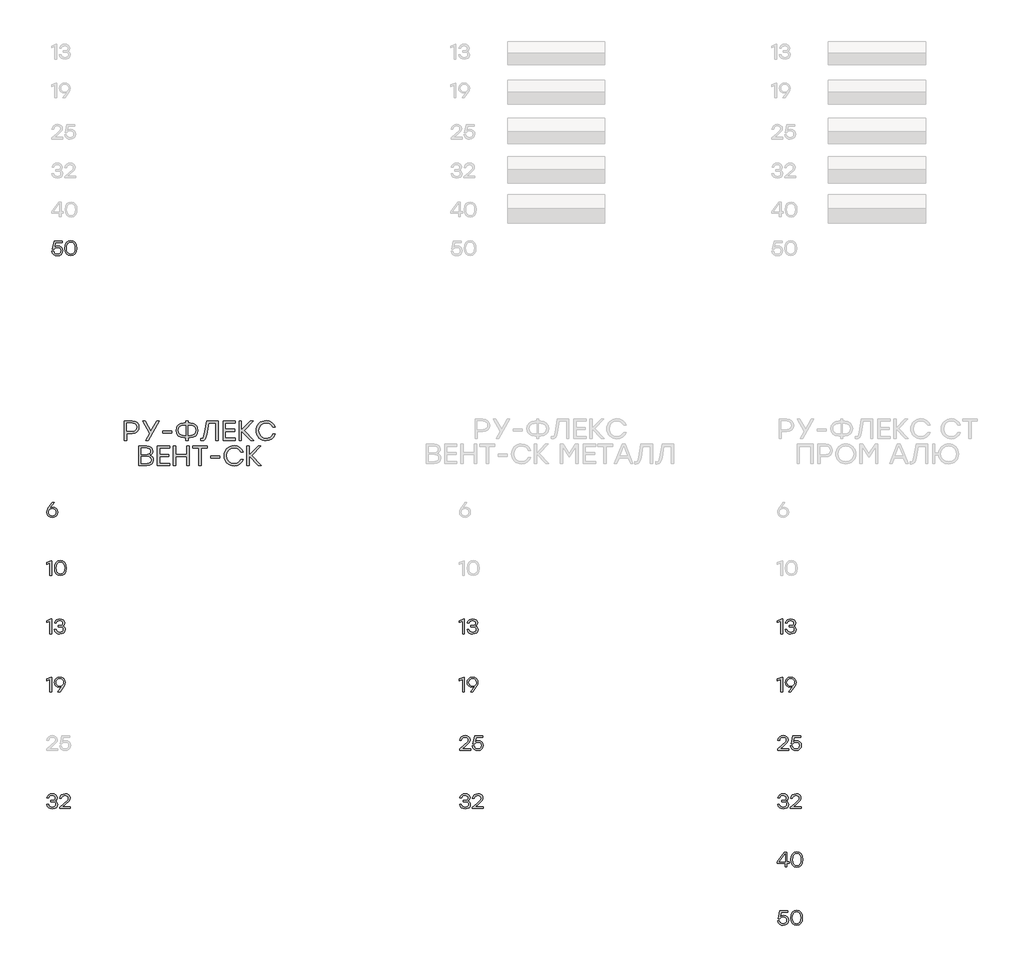
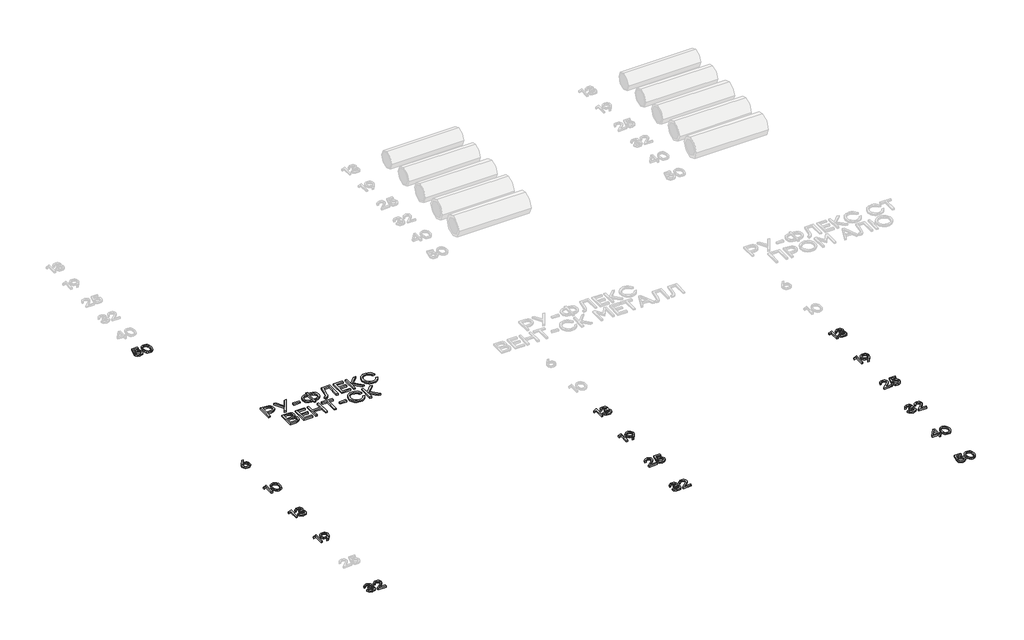
# One storey, part 29 of 41: 17 proxies.
"""IFC4 building model written with IfcOpenShell, lengths in millimetres."""

from ifc_helpers import new_model, si_unit, origin, origin_with_axes, place, context, project, spatial, polyline, outline, extrude, element, save

model = new_model("IFC4")

# Units and contexts
model_context = context("Model", 3, world=origin())
ifc_project = project(units=[si_unit("LENGTHUNIT", "METRE", prefix="MILLI")], contexts=[model_context])

# Site, building, storey
site = spatial("IfcSite", under=ifc_project)
building = spatial("IfcBuilding", under=site)
storey = spatial("IfcBuildingStorey", under=building, Elevation=0.0)

# Proxies
placement = place(None, origin())
element("IfcBuildingElementProxy", 1, Name="Generic Models", at=placement, inside=storey, context=model_context, shape_type="SweptSolid", body=[
    extrude(outline(polyline([(21438.3412337, -18963.3883723), (21458.0077733, -18966.7367268), (21474.5680082, -18976.7817901), (21485.8233201, -18992.6158758), (21489.5750908, -19013.3312975), (21485.5560569, -19034.848509), (21473.4989553, -19051.8777152), (21455.4410378, -19062.9666179), (21433.4195561, -19066.6629188), (21411.5796117, -19062.9968741), (21393.5822066, -19051.99874), (21381.5251051, -19034.8384235), (21377.5060712, -19012.6858316), (21380.1282765, -18994.8397076), (21387.9948923, -18976.8826441), (21429.7888103, -18917.3182426), (21432.1286243, -18914.3329627), (21452.9449001, -18914.3329627), (21410.2634664, -18971.3356714), (21424.2620084, -18965.3751971), (21438.3412337, -18963.3883723)]), holes=[polyline([(21433.4195561, -19049.7597801), (21448.5274927, -19047.2384289), (21460.8518575, -19039.6743752), (21469.0512917, -19028.0459033), (21471.7844365, -19013.3312975), (21469.0512917, -18998.5158377), (21460.8518575, -18987.0689031), (21448.5779197, -18979.7468991), (21433.6212642, -18977.3062311), (21418.2914487, -18979.7721126), (21406.1082796, -18987.1697571), (21398.1508951, -18998.6923323), (21395.4984336, -19013.5330056), (21398.2013221, -19028.373679), (21406.3099877, -19039.8962541), (21418.4931568, -19047.2938986), (21433.4195561, -19049.7597801)])]), origin_with_axes(), (0.0, 0.0, 1.0), 20.0),
])
element("IfcBuildingElementProxy", 2, Name="Generic Models", at=placement, inside=storey, context=model_context, shape_type="SweptSolid", body=[
    extrude(outline(polyline([(21419.5016973, -19514.3329627), (21427.6507045, -19514.3329627), (21427.6507045, -19664.3231049), (21409.8600502, -19664.3231049), (21409.8600502, -19535.1088969), (21375.3679653, -19549.0267557), (21375.3679653, -19531.4781511), (21419.5016973, -19514.3329627)])), origin_with_axes(), (0.0, 0.0, 1.0), 20.0),
    extrude(outline(polyline([(21518.3790073, -19511.9528072), (21543.8849963, -19517.0156804), (21562.9564971, -19532.2043003), (21574.8471895, -19556.6059375), (21578.8107536, -19589.307863), (21574.8471895, -19622.0097885), (21562.9564971, -19646.4114257), (21543.8849963, -19661.6000455), (21518.3790073, -19666.6629188), (21493.0242993, -19661.6303017), (21473.9225423, -19646.5324506), (21461.9410813, -19622.1661123), (21457.9472609, -19589.3280338), (21461.9410813, -19556.4849126), (21473.9225423, -19532.1034462), (21493.0242993, -19516.9904669), (21518.3790073, -19511.9528072)]), holes=[polyline([(21487.1949352, -19635.0754306), (21500.6186092, -19646.0886927), (21518.3790073, -19649.7597801), (21536.1394053, -19646.0886927), (21549.5630793, -19635.0754306), (21558.0045632, -19616.2964066), (21560.8183912, -19589.3280338), (21558.0045632, -19562.359661), (21549.5630793, -19543.580637), (21536.1394053, -19532.5673748), (21518.3790073, -19528.8962875), (21500.6186092, -19532.5673748), (21487.1949352, -19543.580637), (21478.7534513, -19562.359661), (21475.9396233, -19589.3280338), (21478.7534513, -19616.2964066), (21487.1949352, -19635.0754306)])]), origin_with_axes(), (0.0, 0.0, 1.0), 20.0),
])
element("IfcBuildingElementProxy", 3, Name="Generic Models", at=placement, inside=storey, context=model_context, shape_type="SweptSolid", body=[
    extrude(outline(polyline([(21419.5016973, -20114.3329627), (21427.6507045, -20114.3329627), (21427.6507045, -20264.3231049), (21409.8600502, -20264.3231049), (21409.8600502, -20135.1088969), (21375.3679653, -20149.0267557), (21375.3679653, -20131.4781511), (21419.5016973, -20114.3329627)])), origin_with_axes(), (0.0, 0.0, 1.0), 20.0),
    extrude(outline(polyline([(21540.687923, -20185.2535302), (21551.8978505, -20190.7198197), (21560.2737793, -20198.9696809), (21565.4929764, -20209.6299539), (21567.2327087, -20222.3274787), (21563.5364078, -20240.577019), (21552.4475051, -20254.6612869), (21535.3577865, -20263.6625108), (21513.6590378, -20266.6629188), (21492.2729366, -20263.7734503), (21474.3461293, -20255.1050448), (21461.4015121, -20240.9199227), (21454.9619811, -20221.4803047), (21472.9543435, -20221.4803047), (21477.8155086, -20233.8525752), (21486.1863947, -20242.6899113), (21498.0670017, -20247.9923129), (21513.4573297, -20249.7597801), (21528.3686008, -20247.8284251), (21539.6995533, -20242.03436), (21546.8551481, -20232.9221966), (21549.2403463, -20221.0365469), (21547.2333508, -20210.255249), (21541.212364, -20201.8742775), (21530.8445678, -20196.4886713), (21515.7971436, -20194.6934692), (21495.0212094, -20194.6934692), (21495.0212094, -20179.0409208), (21510.6737579, -20179.0409208), (21525.3934064, -20177.5936652), (21535.907441, -20173.2518983), (21542.2158618, -20166.0156203), (21544.3186687, -20155.884831), (21542.0393672, -20144.7455013), (21535.2014627, -20136.1779498), (21524.6117875, -20130.716703), (21511.0771741, -20128.8962875), (21498.2384536, -20130.4242263), (21487.961426, -20135.0080428), (21480.2965182, -20143.1217511), (21475.2941574, -20155.2393651), (21457.301795, -20155.2393651), (21463.9732904, -20136.0367541), (21475.8387693, -20122.5626532), (21491.9905453, -20114.6052687), (21511.5209319, -20111.9528072), (21531.535418, -20114.8725319), (21547.8485605, -20123.6317061), (21558.6954135, -20136.9999103), (21562.3110311, -20153.7467252), (21556.7438876, -20173.0300194), (21549.9463247, -20180.2612548), (21540.687923, -20185.2535302)])), origin_with_axes(), (0.0, 0.0, 1.0), 20.0),
])
element("IfcBuildingElementProxy", 4, Name="Generic Models", at=placement, inside=storey, context=model_context, shape_type="SweptSolid", body=[
    extrude(outline(polyline([(21419.5016973, -20714.3329627), (21427.6507045, -20714.3329627), (21427.6507045, -20864.3231049), (21409.8600502, -20864.3231049), (21409.8600502, -20735.1088969), (21375.3679653, -20749.0267557), (21375.3679653, -20731.4781511), (21419.5016973, -20714.3329627)])), origin_with_axes(), (0.0, 0.0, 1.0), 20.0),
    extrude(outline(polyline([(21511.0771741, -20711.9528072), (21532.9473747, -20715.5986811), (21550.9548652, -20726.5363027), (21563.0119668, -20743.6865338), (21567.0310006, -20765.970236), (21564.4037527, -20783.8113173), (21556.5220087, -20801.7532527), (21514.7482615, -20861.337825), (21512.3681059, -20864.3231049), (21491.5921718, -20864.3231049), (21534.2332638, -20807.3203962), (21520.2548926, -20813.2808705), (21506.1554965, -20815.2676953), (21486.4939996, -20811.9193408), (21469.9488928, -20801.8742775), (21458.708709, -20786.0401918), (21454.9619811, -20765.3247701), (21458.9810149, -20743.7773024), (21471.0381165, -20726.7380108), (21489.0859486, -20715.6491081), (21511.0771741, -20711.9528072)]), holes=[polyline([(21510.875466, -20801.3094949), (21526.2607512, -20798.8486561), (21538.5296463, -20791.4661396), (21546.5626713, -20779.9586926), (21549.2403463, -20765.123062), (21546.5072016, -20750.2823886), (21538.3077674, -20738.7598135), (21526.0388723, -20731.362169), (21511.0973449, -20728.8962875), (21496.1558175, -20731.412596), (21483.8869224, -20738.9615216), (21475.6874882, -20750.5849508), (21472.9543435, -20765.3247701), (21475.657232, -20780.1351872), (21483.7658975, -20791.5669937), (21495.9490667, -20798.8738696), (21510.875466, -20801.3094949)])]), origin_with_axes(), (0.0, 0.0, 1.0), 20.0),
])
element("IfcBuildingElementProxy", 5, Name="Generic Models", at=placement, inside=storey, context=model_context, shape_type="SweptSolid", body=[
    extrude(outline(polyline([(21463.2320131, -21985.2535302), (21474.4419407, -21990.7198197), (21482.8178695, -21998.9696809), (21488.0370665, -22009.6299539), (21489.7767989, -22022.3274787), (21486.080498, -22040.577019), (21474.9915952, -22054.6612869), (21457.9018766, -22063.6625108), (21436.2031279, -22066.6629188), (21414.8170267, -22063.7734503), (21396.8902195, -22055.1050448), (21383.9456022, -22040.9199227), (21377.5060712, -22021.4803047), (21395.4984336, -22021.4803047), (21400.3595988, -22033.8525752), (21408.7304849, -22042.6899113), (21420.6110919, -22047.9923129), (21436.0014198, -22049.7597801), (21450.912691, -22047.8284251), (21462.2436434, -22042.03436), (21469.3992382, -22032.9221966), (21471.7844365, -22021.0365469), (21469.7774409, -22010.255249), (21463.7564542, -22001.8742775), (21453.3886579, -21996.4886713), (21438.3412337, -21994.6934692), (21417.5652996, -21994.6934692), (21417.5652996, -21979.0409208), (21433.217848, -21979.0409208), (21447.9374965, -21977.5936652), (21458.4515312, -21973.2518983), (21464.7599519, -21966.0156203), (21466.8627589, -21955.884831), (21464.5834574, -21944.7455013), (21457.7455528, -21936.1779498), (21447.1558776, -21930.716703), (21433.6212642, -21928.8962875), (21420.7825437, -21930.4242263), (21410.5055161, -21935.0080428), (21402.8406084, -21943.1217511), (21397.8382475, -21955.2393651), (21379.8458851, -21955.2393651), (21386.5173805, -21936.0367541), (21398.3828594, -21922.5626532), (21414.5346354, -21914.6052687), (21434.065022, -21911.9528072), (21454.0795081, -21914.8725319), (21470.3926506, -21923.6317061), (21481.2395036, -21936.9999103), (21484.8551213, -21953.7467252), (21479.2879777, -21973.0300194), (21472.4904148, -21980.2612548), (21463.2320131, -21985.2535302)])), origin_with_axes(), (0.0, 0.0, 1.0), 20.0),
    extrude(outline(polyline([(21621.6938954, -22047.1779165), (21621.6938954, -22064.3231049), (21509.181118, -22064.3231049), (21509.181118, -22051.4541282), (21552.669384, -22013.5330056), (21591.3569973, -21977.5482808), (21597.7108024, -21967.5839008), (21599.8287375, -21956.9740548), (21597.5242225, -21945.6985721), (21590.6106774, -21936.7225617), (21579.8394649, -21930.852856), (21565.9619477, -21928.8962875), (21552.0289608, -21930.9587528), (21541.0913392, -21937.1461487), (21533.2146379, -21947.0853152), (21528.4644122, -21960.4030925), (21510.4720498, -21960.4030925), (21516.6695311, -21940.4037345), (21528.8879992, -21925.023492), (21545.9878033, -21915.2204784), (21566.8292925, -21911.9528072), (21587.3732624, -21915.1145816), (21603.5805081, -21924.599905), (21614.1096709, -21938.8556248), (21617.6193918, -21956.3285889), (21615.072827, -21970.9675541), (21607.4331328, -21984.0634524), (21567.2327087, -22022.3274787), (21538.5094755, -22047.1779165), (21621.6938954, -22047.1779165)])), origin_with_axes(), (0.0, 0.0, 1.0), 20.0),
])
element("IfcBuildingElementProxy", 6, Name="Generic Models", at=placement, inside=storey, context=model_context, shape_type="SweptSolid", body=[
    extrude(outline(polyline([(22257.0829166, -18073.4104772), (22286.1019884, -18077.8749498), (22307.9671463, -18091.2683676), (22321.683297, -18111.7215688), (22326.2553472, -18137.3653917), (22321.6429554, -18163.3991836), (22307.8057798, -18184.2692482), (22285.9002803, -18197.9853989), (22257.0829166, -18202.5574492), (22200.4970713, -18202.5574492), (22200.4970713, -18273.3973334), (22176.7761989, -18273.3973334), (22176.7761989, -18073.4104772), (22257.0829166, -18073.4104772)]), holes=[polyline([(22256.2222954, -18179.9661421), (22276.0905431, -18176.9674151), (22290.5126722, -18167.9712339), (22299.2869744, -18154.4030024), (22302.2117419, -18137.6881247), (22299.2869744, -18121.0404829), (22290.5126722, -18107.6739596), (22276.0905431, -18098.8794865), (22256.2222954, -18095.9479955), (22200.4970713, -18095.9479955), (22200.4970713, -18179.9661421), (22256.2222954, -18179.9661421)])]), origin_with_axes(), (0.0, 0.0, 1.0), 20.0),
    extrude(outline(polyline([(22535.2787262, -18073.4104772), (22422.1608245, -18273.3973334), (22395.3202002, -18273.3973334), (22436.7375964, -18200.8362067), (22363.8537368, -18073.4104772), (22390.74815, -18073.4104772), (22449.8620701, -18175.3940919), (22508.707046, -18073.4104772), (22535.2787262, -18073.4104772)])), origin_with_axes(), (0.0, 0.0, 1.0), 20.0),
    extrude(outline(polyline([(22661.8438345, -18175.985769), (22661.8438345, -18198.5232872), (22569.2194756, -18198.5232872), (22569.2194756, -18175.985769), (22661.8438345, -18175.985769)])), origin_with_axes(), (0.0, 0.0, 1.0), 20.0),
    extrude(outline(polyline([(22852.4176461, -18095.9479955), (22884.0656467, -18101.057934), (22909.8372181, -18116.3877495), (22919.8268117, -18127.4900994), (22926.9622357, -18140.3573952), (22932.6705749, -18171.3868243), (22926.9958537, -18202.4162535), (22919.9024523, -18215.2835493), (22909.9716902, -18226.3858992), (22884.2337368, -18241.7157147), (22852.4176461, -18246.8256532), (22832.6771468, -18246.8256532), (22832.6771468, -18273.3973334), (22808.9562744, -18273.3973334), (22808.9562744, -18246.8256532), (22789.0006199, -18246.8256532), (22757.1441875, -18241.7157147), (22731.3927869, -18226.3858992), (22721.4620248, -18215.2835493), (22714.3686234, -18202.4162535), (22708.6939022, -18171.3868243), (22714.408965, -18140.3573952), (22721.5527935, -18127.4900994), (22731.5541534, -18116.3877495), (22757.3458956, -18101.057934), (22789.0006199, -18095.9479955), (22808.9562744, -18095.9479955), (22808.9562744, -18073.4104772), (22832.6771468, -18073.4104772), (22832.6771468, -18095.9479955), (22852.4176461, -18095.9479955)]), holes=[polyline([(22852.4176461, -18224.2343462), (22875.0224003, -18220.7716905), (22893.1357876, -18210.3837234), (22905.0365654, -18193.7091873), (22909.0034913, -18171.3868243), (22905.0365654, -18149.0644614), (22893.1357876, -18132.3899253), (22875.0224003, -18122.0019582), (22852.4176461, -18118.5393025), (22832.6771468, -18118.5393025), (22832.6771468, -18224.2343462), (22852.4176461, -18224.2343462)]), polyline([(22789.0006199, -18224.2343462), (22808.9562744, -18224.2343462), (22808.9562744, -18118.5393025), (22789.0006199, -18118.5393025), (22766.5975737, -18122.0019582), (22748.5514225, -18132.3899253), (22736.6506447, -18149.0644614), (22732.6837187, -18171.3868243), (22736.610303, -18193.7091873), (22748.390056, -18210.3837234), (22766.3958656, -18220.7716905), (22789.0006199, -18224.2343462)])]), origin_with_axes(), (0.0, 0.0, 1.0), 20.0),
    extrude(outline(polyline([(23022.3365483, -18073.4104772), (23142.6083639, -18073.4104772), (23142.6083639, -18273.3973334), (23118.8874915, -18273.3973334), (23118.8874915, -18095.9479955), (23042.2922029, -18095.9479955), (23023.1971696, -18212.2394379), (23016.0970445, -18242.2603266), (23006.3074781, -18261.9672078), (22993.1023212, -18272.879616), (22975.7554248, -18276.5170853), (22960.0490875, -18275.6564641), (22960.0490875, -18253.9795671), (22971.1833745, -18254.5174554), (22981.8806274, -18252.2314303), (22989.4446811, -18245.3733549), (22999.7452413, -18210.8409284), (23022.3365483, -18073.4104772)])), origin_with_axes(), (0.0, 0.0, 1.0), 20.0),
    extrude(outline(polyline([(23319.1970807, -18095.9479955), (23216.0301118, -18095.9479955), (23216.0301118, -18159.4188105), (23312.3121109, -18159.4188105), (23312.3121109, -18181.9563287), (23216.0301118, -18181.9563287), (23216.0301118, -18250.8060264), (23319.1970807, -18250.8060264), (23319.1970807, -18273.3973334), (23192.3092394, -18273.3973334), (23192.3092394, -18073.4104772), (23319.1970807, -18073.4104772), (23319.1970807, -18095.9479955)])), origin_with_axes(), (0.0, 0.0, 1.0), 20.0),
    extrude(outline(polyline([(23505.8443079, -18273.3973334), (23475.2922546, -18273.3973334), (23381.2693862, -18176.2547131), (23381.2693862, -18273.3973334), (23357.5485138, -18273.3973334), (23357.5485138, -18073.4104772), (23381.2693862, -18073.4104772), (23381.2693862, -18167.1106127), (23472.1725027, -18073.4104772), (23502.4556119, -18073.4104772), (23407.8410664, -18171.4137188), (23505.8443079, -18273.3973334)])), origin_with_axes(), (0.0, 0.0, 1.0), 20.0),
    extrude(outline(polyline([(23634.8837022, -18276.5170853), (23613.6858619, -18274.6781798), (23594.3605452, -18269.1614633), (23576.907752, -18259.9669358), (23561.3274823, -18247.0945974), (23548.5139753, -18231.4538152), (23539.3614703, -18213.9539568), (23533.8699673, -18194.595022), (23532.0394663, -18173.3770109), (23533.8699673, -18152.1589998), (23539.3614703, -18132.8000651), (23548.5139753, -18115.3002066), (23561.3274823, -18099.6594245), (23576.907752, -18086.787086), (23594.3605452, -18077.5925585), (23613.6858619, -18072.075842), (23634.8837022, -18070.2369365), (23666.3636128, -18074.7753687), (23693.8900447, -18088.3906654), (23715.6341777, -18109.6439754), (23729.7671918, -18137.0964476), (23704.325077, -18137.0964476), (23692.8613334, -18118.8889299), (23676.7583035, -18104.8231518), (23657.0110806, -18095.8269706), (23634.6147581, -18092.8282435), (23603.7130774, -18098.5769243), (23578.4592234, -18115.8229668), (23561.636768, -18141.715563), (23556.0292829, -18173.4039053), (23561.636768, -18205.0922476), (23578.4592234, -18230.9848439), (23603.7130774, -18248.2308863), (23634.6147581, -18253.9795671), (23657.0110806, -18250.9808401), (23676.7583035, -18241.9846589), (23692.8613334, -18227.9054336), (23704.325077, -18209.6575743), (23729.7671918, -18209.6575743), (23715.6341777, -18237.1436645), (23693.8900447, -18258.3902509), (23666.3636128, -18271.9853767), (23634.8837022, -18276.5170853)])), origin_with_axes(), (0.0, 0.0, 1.0), 20.0),
    extrude(outline(polyline([(22439.6959819, -18425.6328557), (22454.8274511, -18432.4606748), (22465.6356434, -18443.2083547), (22472.1205587, -18457.8758952), (22474.2821972, -18476.4632965), (22470.100116, -18499.6664515), (22457.5538722, -18517.2083324), (22437.0065406, -18528.2417654), (22408.8211956, -18531.9195764), (22324.8030489, -18531.9195764), (22324.8030489, -18331.9327203), (22407.4226861, -18331.9327203), (22433.7186986, -18335.2541803), (22452.6859834, -18345.2185603), (22464.1631743, -18361.2476306), (22467.9889045, -18382.7631611), (22466.2205969, -18397.1214159), (22460.9156739, -18409.05245), (22452.0741355, -18418.5562632), (22439.6959819, -18425.6328557)]), holes=[polyline([(22408.5522515, -18509.3282694), (22426.931221, -18507.1699927), (22440.0590565, -18500.6951628), (22447.9357577, -18489.9037795), (22450.5613248, -18474.7958429), (22448.0601444, -18459.472751), (22440.5566031, -18448.3586348), (22427.4052351, -18441.6014135), (22407.9605744, -18439.3490064), (22348.5239213, -18439.3490064), (22348.5239213, -18509.3282694), (22408.5522515, -18509.3282694)]), polyline([(22443.999088, -18386.205646), (22441.7130629, -18372.4222592), (22434.8549875, -18362.4847736), (22422.71216, -18356.4738723), (22404.5718783, -18354.4702385), (22348.5239213, -18354.4702385), (22348.5239213, -18417.6183205), (22403.9802012, -18417.6183205), (22422.5642407, -18415.6214104), (22434.8549875, -18409.6306798), (22441.7130629, -18399.780601), (22443.999088, -18386.205646)])]), origin_with_axes(), (0.0, 0.0, 1.0), 20.0),
    extrude(outline(polyline([(22641.0275587, -18354.4702385), (22537.8605899, -18354.4702385), (22537.8605899, -18417.9410535), (22634.142589, -18417.9410535), (22634.142589, -18440.4785717), (22537.8605899, -18440.4785717), (22537.8605899, -18509.3282694), (22641.0275587, -18509.3282694), (22641.0275587, -18531.9195764), (22514.1397175, -18531.9195764), (22514.1397175, -18331.9327203), (22641.0275587, -18331.9327203), (22641.0275587, -18354.4702385)])), origin_with_axes(), (0.0, 0.0, 1.0), 20.0),
    extrude(outline(polyline([(22819.1223626, -18331.9327203), (22842.843235, -18331.9327203), (22842.843235, -18531.9195764), (22819.1223626, -18531.9195764), (22819.1223626, -18439.9406835), (22703.0998643, -18439.9406835), (22703.0998643, -18531.9195764), (22679.3789919, -18531.9195764), (22679.3789919, -18331.9327203), (22703.0998643, -18331.9327203), (22703.0998643, -18417.3493764), (22819.1223626, -18417.3493764), (22819.1223626, -18331.9327203)])), origin_with_axes(), (0.0, 0.0, 1.0), 20.0),
    extrude(outline(polyline([(23030.2972946, -18331.9327203), (23030.2972946, -18354.4702385), (22965.6969142, -18354.4702385), (22965.6969142, -18531.9195764), (22941.7070977, -18531.9195764), (22941.7070977, -18354.4702385), (22877.4294503, -18354.4702385), (22877.4294503, -18331.9327203), (23030.2972946, -18331.9327203)])), origin_with_axes(), (0.0, 0.0, 1.0), 20.0),
    extrude(outline(polyline([(23157.5616577, -18434.508012), (23157.5616577, -18457.0455302), (23064.9372988, -18457.0455302), (23064.9372988, -18434.508012), (23157.5616577, -18434.508012)])), origin_with_axes(), (0.0, 0.0, 1.0), 20.0),
    extrude(outline(polyline([(23304.4051534, -18535.0393284), (23283.2073132, -18533.2004229), (23263.8819964, -18527.6837064), (23246.4292032, -18518.4891789), (23230.8489335, -18505.6168404), (23218.0354265, -18489.9760582), (23208.8829215, -18472.4761998), (23203.3914186, -18453.117265), (23201.5609176, -18431.8992539), (23203.3914186, -18410.6812429), (23208.8829215, -18391.3223081), (23218.0354265, -18373.8224496), (23230.8489335, -18358.1816675), (23246.4292032, -18345.309329), (23263.8819964, -18336.1148015), (23283.2073132, -18330.598085), (23304.4051534, -18328.7591795), (23335.885064, -18333.2976117), (23363.4114959, -18346.9129084), (23385.1556289, -18368.1662184), (23399.288643, -18395.6186906), (23373.8465282, -18395.6186906), (23362.3827846, -18377.4111729), (23346.2797547, -18363.3453948), (23326.5325319, -18354.3492136), (23304.1362093, -18351.3504865), (23273.2345286, -18357.0991674), (23247.9806747, -18374.3452098), (23231.1582192, -18400.237806), (23225.5507341, -18431.9261483), (23231.1582192, -18463.6144906), (23247.9806747, -18489.5070869), (23273.2345286, -18506.7531293), (23304.1362093, -18512.5018101), (23326.5325319, -18509.5030831), (23346.2797547, -18500.5069019), (23362.3827846, -18486.4276766), (23373.8465282, -18468.1798173), (23399.288643, -18468.1798173), (23385.1556289, -18495.6659075), (23363.4114959, -18516.9124939), (23335.885064, -18530.5076197), (23304.4051534, -18535.0393284)])), origin_with_axes(), (0.0, 0.0, 1.0), 20.0),
    extrude(outline(polyline([(23585.0214602, -18531.9195764), (23554.4694069, -18531.9195764), (23460.4465385, -18434.7769561), (23460.4465385, -18531.9195764), (23436.7256661, -18531.9195764), (23436.7256661, -18331.9327203), (23460.4465385, -18331.9327203), (23460.4465385, -18425.6328557), (23551.349655, -18331.9327203), (23581.6327642, -18331.9327203), (23487.0182187, -18429.9359618), (23585.0214602, -18531.9195764)])), origin_with_axes(), (0.0, 0.0, 1.0), 20.0),
])
element("IfcBuildingElementProxy", 7, Name="Generic Models", at=placement, inside=storey, context=model_context, shape_type="SweptSolid", body=[
    extrude(outline(polyline([(25667.2941727, -20114.3329627), (25675.4431799, -20114.3329627), (25675.4431799, -20264.3231049), (25657.6525256, -20264.3231049), (25657.6525256, -20135.1088969), (25623.1604407, -20149.0267557), (25623.1604407, -20131.4781511), (25667.2941727, -20114.3329627)])), origin_with_axes(), (0.0, 0.0, 1.0), 20.0),
    extrude(outline(polyline([(25788.4803983, -20185.2535302), (25799.6903259, -20190.7198197), (25808.0662547, -20198.9696809), (25813.2854518, -20209.6299539), (25815.0251841, -20222.3274787), (25811.3288832, -20240.577019), (25800.2399805, -20254.6612869), (25783.1502618, -20263.6625108), (25761.4515131, -20266.6629188), (25740.065412, -20263.7734503), (25722.1386047, -20255.1050448), (25709.1939875, -20240.9199227), (25702.7544564, -20221.4803047), (25720.7468188, -20221.4803047), (25725.607984, -20233.8525752), (25733.9788701, -20242.6899113), (25745.8594771, -20247.9923129), (25761.249805, -20249.7597801), (25776.1610762, -20247.8284251), (25787.4920286, -20242.03436), (25794.6476234, -20232.9221966), (25797.0328217, -20221.0365469), (25795.0258261, -20210.255249), (25789.0048394, -20201.8742775), (25778.6370431, -20196.4886713), (25763.589619, -20194.6934692), (25742.8136848, -20194.6934692), (25742.8136848, -20179.0409208), (25758.4662333, -20179.0409208), (25773.1858818, -20177.5936652), (25783.6999164, -20173.2518983), (25790.0083372, -20166.0156203), (25792.1111441, -20155.884831), (25789.8318426, -20144.7455013), (25782.993938, -20136.1779498), (25772.4042629, -20130.716703), (25758.8696495, -20128.8962875), (25746.030929, -20130.4242263), (25735.7539013, -20135.0080428), (25728.0889936, -20143.1217511), (25723.0866328, -20155.2393651), (25705.0942704, -20155.2393651), (25711.7657657, -20136.0367541), (25723.6312446, -20122.5626532), (25739.7830206, -20114.6052687), (25759.3134073, -20111.9528072), (25779.3278934, -20114.8725319), (25795.6410358, -20123.6317061), (25806.4878888, -20136.9999103), (25810.1035065, -20153.7467252), (25804.536363, -20173.0300194), (25797.7388001, -20180.2612548), (25788.4803983, -20185.2535302)])), origin_with_axes(), (0.0, 0.0, 1.0), 20.0),
])
element("IfcBuildingElementProxy", 8, Name="Generic Models", at=placement, inside=storey, context=model_context, shape_type="SweptSolid", body=[
    extrude(outline(polyline([(25667.2941727, -20714.3329627), (25675.4431799, -20714.3329627), (25675.4431799, -20864.3231049), (25657.6525256, -20864.3231049), (25657.6525256, -20735.1088969), (25623.1604407, -20749.0267557), (25623.1604407, -20731.4781511), (25667.2941727, -20714.3329627)])), origin_with_axes(), (0.0, 0.0, 1.0), 20.0),
    extrude(outline(polyline([(25758.8696495, -20711.9528072), (25780.73985, -20715.5986811), (25798.7473405, -20726.5363027), (25810.8044421, -20743.6865338), (25814.823476, -20765.970236), (25812.196228, -20783.8113173), (25804.3144841, -20801.7532527), (25762.5407368, -20861.337825), (25760.1605813, -20864.3231049), (25739.3846471, -20864.3231049), (25782.0257392, -20807.3203962), (25768.0473679, -20813.2808705), (25753.9479718, -20815.2676953), (25734.2864749, -20811.9193408), (25717.7413681, -20801.8742775), (25706.5011843, -20786.0401918), (25702.7544564, -20765.3247701), (25706.7734903, -20743.7773024), (25718.8305919, -20726.7380108), (25736.878424, -20715.6491081), (25758.8696495, -20711.9528072)]), holes=[polyline([(25758.6679414, -20801.3094949), (25774.0532266, -20798.8486561), (25786.3221217, -20791.4661396), (25794.3551467, -20779.9586926), (25797.0328217, -20765.123062), (25794.299677, -20750.2823886), (25786.1002428, -20738.7598135), (25773.8313477, -20731.362169), (25758.8898203, -20728.8962875), (25743.9482929, -20731.412596), (25731.6793978, -20738.9615216), (25723.4799635, -20750.5849508), (25720.7468188, -20765.3247701), (25723.4497073, -20780.1351872), (25731.5583729, -20791.5669937), (25743.7415421, -20798.8738696), (25758.6679414, -20801.3094949)])]), origin_with_axes(), (0.0, 0.0, 1.0), 20.0),
])
element("IfcBuildingElementProxy", 9, Name="Generic Models", at=placement, inside=storey, context=model_context, shape_type="SweptSolid", body=[
    extrude(outline(polyline([(25737.811324, -21447.1779165), (25737.811324, -21464.3231049), (25625.2985465, -21464.3231049), (25625.2985465, -21451.4541282), (25668.7868126, -21413.5330056), (25707.4744259, -21377.5482808), (25713.828231, -21367.5839008), (25715.9461661, -21356.9740548), (25713.641651, -21345.6985721), (25706.728106, -21336.7225617), (25695.9568935, -21330.852856), (25682.0793763, -21328.8962875), (25668.1463894, -21330.9587528), (25657.2087677, -21337.1461487), (25649.3320665, -21347.0853152), (25644.5818408, -21360.4030925), (25626.5894784, -21360.4030925), (25632.7869597, -21340.4037345), (25645.0054278, -21325.023492), (25662.1052318, -21315.2204784), (25682.9467211, -21311.9528072), (25703.490691, -21315.1145816), (25719.6979367, -21324.599905), (25730.2270994, -21338.8556248), (25733.7368204, -21356.3285889), (25731.1902556, -21370.9675541), (25723.5505614, -21384.0634524), (25683.3501373, -21422.3274787), (25654.6269041, -21447.1779165), (25737.811324, -21447.1779165)])), origin_with_axes(), (0.0, 0.0, 1.0), 20.0),
    extrude(outline(polyline([(25818.8979796, -21365.3247701), (25838.7863981, -21368.698338), (25855.2054373, -21378.8190419), (25866.2186995, -21394.5169746), (25869.8897869, -21414.6222294), (25865.9816925, -21435.322523), (25854.2574093, -21451.99874), (25836.6936766, -21462.9968741), (25815.2672338, -21466.6629188), (25794.3097624, -21463.6120838), (25776.4585957, -21454.4595788), (25763.4383379, -21439.7298449), (25756.9735933, -21419.9473232), (25774.9659557, -21419.9473232), (25780.1145549, -21432.6498907), (25789.1056934, -21442.03436), (25801.1022826, -21447.8284251), (25815.2672338, -21449.7597801), (25829.754918, -21447.2384289), (25841.5094575, -21439.6743752), (25849.3004328, -21428.3686363), (25851.8974245, -21414.6222294), (25849.3256463, -21400.679157), (25841.6103115, -21389.7516208), (25829.9314126, -21382.6867946), (25815.4689419, -21380.3318526), (25794.4711289, -21385.2031032), (25779.8876333, -21399.8168549), (25762.7424449, -21399.8168549), (25780.9768571, -21314.3329627), (25862.8300035, -21314.3329627), (25862.8300035, -21331.2361014), (25794.450958, -21331.2361014), (25784.6076028, -21377.951697), (25800.0382724, -21368.4815018), (25818.8979796, -21365.3247701)])), origin_with_axes(), (0.0, 0.0, 1.0), 20.0),
])
element("IfcBuildingElementProxy", 10, Name="Generic Models", at=placement, inside=storey, context=model_context, shape_type="SweptSolid", body=[
    extrude(outline(polyline([(25711.0244885, -21985.2535302), (25722.234416, -21990.7198197), (25730.6103448, -21998.9696809), (25735.8295419, -22009.6299539), (25737.5692742, -22022.3274787), (25733.8729733, -22040.577019), (25722.7840706, -22054.6612869), (25705.694352, -22063.6625108), (25683.9956032, -22066.6629188), (25662.6095021, -22063.7734503), (25644.6826948, -22055.1050448), (25631.7380776, -22040.9199227), (25625.2985465, -22021.4803047), (25643.2909089, -22021.4803047), (25648.1520741, -22033.8525752), (25656.5229602, -22042.6899113), (25668.4035672, -22047.9923129), (25683.7938951, -22049.7597801), (25698.7051663, -22047.8284251), (25710.0361188, -22042.03436), (25717.1917136, -22032.9221966), (25719.5769118, -22021.0365469), (25717.5699163, -22010.255249), (25711.5489295, -22001.8742775), (25701.1811332, -21996.4886713), (25686.1337091, -21994.6934692), (25665.3577749, -21994.6934692), (25665.3577749, -21979.0409208), (25681.0103234, -21979.0409208), (25695.7299719, -21977.5936652), (25706.2440065, -21973.2518983), (25712.5524273, -21966.0156203), (25714.6552342, -21955.884831), (25712.3759327, -21944.7455013), (25705.5380282, -21936.1779498), (25694.948353, -21930.716703), (25681.4137396, -21928.8962875), (25668.5750191, -21930.4242263), (25658.2979915, -21935.0080428), (25650.6330837, -21943.1217511), (25645.6307229, -21955.2393651), (25627.6383605, -21955.2393651), (25634.3098559, -21936.0367541), (25646.1753348, -21922.5626532), (25662.3271108, -21914.6052687), (25681.8574974, -21911.9528072), (25701.8719835, -21914.8725319), (25718.185126, -21923.6317061), (25729.031979, -21936.9999103), (25732.6475966, -21953.7467252), (25727.0804531, -21973.0300194), (25720.2828902, -21980.2612548), (25711.0244885, -21985.2535302)])), origin_with_axes(), (0.0, 0.0, 1.0), 20.0),
    extrude(outline(polyline([(25869.4863707, -22047.1779165), (25869.4863707, -22064.3231049), (25756.9735933, -22064.3231049), (25756.9735933, -22051.4541282), (25800.4618594, -22013.5330056), (25839.1494727, -21977.5482808), (25845.5032778, -21967.5839008), (25847.6212128, -21956.9740548), (25845.3166978, -21945.6985721), (25838.4031527, -21936.7225617), (25827.6319403, -21930.852856), (25813.7544231, -21928.8962875), (25799.8214362, -21930.9587528), (25788.8838145, -21937.1461487), (25781.0071133, -21947.0853152), (25776.2568876, -21960.4030925), (25758.2645252, -21960.4030925), (25764.4620065, -21940.4037345), (25776.6804746, -21925.023492), (25793.7802786, -21915.2204784), (25814.6217679, -21911.9528072), (25835.1657378, -21915.1145816), (25851.3729835, -21924.599905), (25861.9021462, -21938.8556248), (25865.4118671, -21956.3285889), (25862.8653024, -21970.9675541), (25855.2256082, -21984.0634524), (25815.0251841, -22022.3274787), (25786.3019509, -22047.1779165), (25869.4863707, -22047.1779165)])), origin_with_axes(), (0.0, 0.0, 1.0), 20.0),
])
element("IfcBuildingElementProxy", 11, Name="Generic Models", at=placement, inside=storey, context=model_context, shape_type="SweptSolid", body=[
    extrude(outline(polyline([(21491.6848665, -16272.3174479), (21511.573285, -16275.6910158), (21527.9923242, -16285.8117197), (21539.0055864, -16301.5096524), (21542.6766738, -16321.6149072), (21538.7685794, -16342.3152008), (21527.0442962, -16358.9914178), (21509.4805635, -16369.9895519), (21488.0541207, -16373.6555966), (21467.0966493, -16370.6047616), (21449.2454825, -16361.4522566), (21436.2252248, -16346.7225227), (21429.7604802, -16326.940001), (21447.7528426, -16326.940001), (21452.9014418, -16339.6425685), (21461.8925803, -16349.0270378), (21473.8891695, -16354.8211029), (21488.0541207, -16356.7524579), (21502.5418049, -16354.2311067), (21514.2963443, -16346.667053), (21522.0873196, -16335.3613141), (21524.6843114, -16321.6149072), (21522.1125332, -16307.6718348), (21514.3971984, -16296.7442986), (21502.7182995, -16289.6794724), (21488.2558288, -16287.3245304), (21467.2580157, -16292.195781), (21452.6745202, -16306.8095327), (21435.5293318, -16306.8095327), (21453.7637439, -16221.3256405), (21535.6168904, -16221.3256405), (21535.6168904, -16238.2287792), (21467.2378449, -16238.2287792), (21457.3944897, -16284.9443748), (21472.8251593, -16275.4741796), (21491.6848665, -16272.3174479)])), origin_with_axes(), (0.0, 0.0, 1.0), 20.0),
    extrude(outline(polyline([(21624.8525532, -16218.945485), (21650.3585423, -16224.0083582), (21669.430043, -16239.1969781), (21681.3207354, -16263.5986153), (21685.2842995, -16296.3005408), (21681.3207354, -16329.0024663), (21669.430043, -16353.4041035), (21650.3585423, -16368.5927233), (21624.8525532, -16373.6555966), (21599.4978452, -16368.6229795), (21580.3960882, -16353.5251284), (21568.4146272, -16329.1587901), (21564.4208068, -16296.3207116), (21568.4146272, -16263.4775904), (21580.3960882, -16239.096124), (21599.4978452, -16223.9831447), (21624.8525532, -16218.945485)]), holes=[polyline([(21593.6684811, -16342.0681084), (21607.0921551, -16353.0813705), (21624.8525532, -16356.7524579), (21642.6129513, -16353.0813705), (21656.0366252, -16342.0681084), (21664.4781092, -16323.2890844), (21667.2919371, -16296.3207116), (21664.4781092, -16269.3523388), (21656.0366252, -16250.5733148), (21642.6129513, -16239.5600526), (21624.8525532, -16235.8889653), (21607.0921551, -16239.5600526), (21593.6684811, -16250.5733148), (21585.2269972, -16269.3523388), (21582.4131692, -16296.3207116), (21585.2269972, -16323.2890844), (21593.6684811, -16342.0681084)])]), origin_with_axes(), (0.0, 0.0, 1.0), 20.0),
])
element("IfcBuildingElementProxy", 12, Name="Generic Models", at=placement, inside=storey, context=model_context, shape_type="SweptSolid", body=[
    extrude(outline(polyline([(28940.1846042, -20114.3329627), (28948.3336114, -20114.3329627), (28948.3336114, -20264.3231049), (28930.5429571, -20264.3231049), (28930.5429571, -20135.1088969), (28896.0508722, -20149.0267557), (28896.0508722, -20131.4781511), (28940.1846042, -20114.3329627)])), origin_with_axes(), (0.0, 0.0, 1.0), 20.0),
    extrude(outline(polyline([(29061.3708299, -20185.2535302), (29072.5807575, -20190.7198197), (29080.9566862, -20198.9696809), (29086.1758833, -20209.6299539), (29087.9156157, -20222.3274787), (29084.2193147, -20240.577019), (29073.130412, -20254.6612869), (29056.0406934, -20263.6625108), (29034.3419447, -20266.6629188), (29012.9558435, -20263.7734503), (28995.0290362, -20255.1050448), (28982.084419, -20240.9199227), (28975.644888, -20221.4803047), (28993.6372504, -20221.4803047), (28998.4984155, -20233.8525752), (29006.8693016, -20242.6899113), (29018.7499086, -20247.9923129), (29034.1402366, -20249.7597801), (29049.0515078, -20247.8284251), (29060.3824602, -20242.03436), (29067.538055, -20232.9221966), (29069.9232533, -20221.0365469), (29067.9162577, -20210.255249), (29061.8952709, -20201.8742775), (29051.5274747, -20196.4886713), (29036.4800505, -20194.6934692), (29015.7041163, -20194.6934692), (29015.7041163, -20179.0409208), (29031.3566648, -20179.0409208), (29046.0763133, -20177.5936652), (29056.5903479, -20173.2518983), (29062.8987687, -20166.0156203), (29065.0015756, -20155.884831), (29062.7222741, -20144.7455013), (29055.8843696, -20136.1779498), (29045.2946944, -20130.716703), (29031.760081, -20128.8962875), (29018.9213605, -20130.4242263), (29008.6443329, -20135.0080428), (29000.9794251, -20143.1217511), (28995.9770643, -20155.2393651), (28977.9847019, -20155.2393651), (28984.6561973, -20136.0367541), (28996.5216762, -20122.5626532), (29012.6734522, -20114.6052687), (29032.2038388, -20111.9528072), (29052.2183249, -20114.8725319), (29068.5314674, -20123.6317061), (29079.3783204, -20136.9999103), (29082.993938, -20153.7467252), (29077.4267945, -20173.0300194), (29070.6292316, -20180.2612548), (29061.3708299, -20185.2535302)])), origin_with_axes(), (0.0, 0.0, 1.0), 20.0),
])
element("IfcBuildingElementProxy", 13, Name="Generic Models", at=placement, inside=storey, context=model_context, shape_type="SweptSolid", body=[
    extrude(outline(polyline([(28940.1846042, -20714.3329627), (28948.3336114, -20714.3329627), (28948.3336114, -20864.3231049), (28930.5429571, -20864.3231049), (28930.5429571, -20735.1088969), (28896.0508722, -20749.0267557), (28896.0508722, -20731.4781511), (28940.1846042, -20714.3329627)])), origin_with_axes(), (0.0, 0.0, 1.0), 20.0),
    extrude(outline(polyline([(29031.760081, -20711.9528072), (29053.6302816, -20715.5986811), (29071.6377721, -20726.5363027), (29083.6948737, -20743.6865338), (29087.7139076, -20765.970236), (29085.0866596, -20783.8113173), (29077.2049156, -20801.7532527), (29035.4311684, -20861.337825), (29033.0510128, -20864.3231049), (29012.2750787, -20864.3231049), (29054.9161707, -20807.3203962), (29040.9377995, -20813.2808705), (29026.8384034, -20815.2676953), (29007.1769065, -20811.9193408), (28990.6317997, -20801.8742775), (28979.3916159, -20786.0401918), (28975.644888, -20765.3247701), (28979.6639218, -20743.7773024), (28991.7210234, -20726.7380108), (29009.7688555, -20715.6491081), (29031.760081, -20711.9528072)]), holes=[polyline([(29031.5583729, -20801.3094949), (29046.9436581, -20798.8486561), (29059.2125532, -20791.4661396), (29067.2455782, -20779.9586926), (29069.9232533, -20765.123062), (29067.1901085, -20750.2823886), (29058.9906743, -20738.7598135), (29046.7217792, -20731.362169), (29031.7802518, -20728.8962875), (29016.8387244, -20731.412596), (29004.5698293, -20738.9615216), (28996.3703951, -20750.5849508), (28993.6372504, -20765.3247701), (28996.3401389, -20780.1351872), (29004.4488044, -20791.5669937), (29016.6319736, -20798.8738696), (29031.5583729, -20801.3094949)])]), origin_with_axes(), (0.0, 0.0, 1.0), 20.0),
])
element("IfcBuildingElementProxy", 14, Name="Generic Models", at=placement, inside=storey, context=model_context, shape_type="SweptSolid", body=[
    extrude(outline(polyline([(29010.7017555, -21447.1779165), (29010.7017555, -21464.3231049), (28898.1889781, -21464.3231049), (28898.1889781, -21451.4541282), (28941.6772442, -21413.5330056), (28980.3648575, -21377.5482808), (28986.7186626, -21367.5839008), (28988.8365976, -21356.9740548), (28986.5320826, -21345.6985721), (28979.6185375, -21336.7225617), (28968.847325, -21330.852856), (28954.9698079, -21328.8962875), (28941.0368209, -21330.9587528), (28930.0991993, -21337.1461487), (28922.222498, -21347.0853152), (28917.4722723, -21360.4030925), (28899.4799099, -21360.4030925), (28905.6773913, -21340.4037345), (28917.8958593, -21325.023492), (28934.9956634, -21315.2204784), (28955.8371527, -21311.9528072), (28976.3811225, -21315.1145816), (28992.5883682, -21324.599905), (29003.117531, -21338.8556248), (29006.6272519, -21356.3285889), (29004.0806872, -21370.9675541), (28996.4409929, -21384.0634524), (28956.2405689, -21422.3274787), (28927.5173356, -21447.1779165), (29010.7017555, -21447.1779165)])), origin_with_axes(), (0.0, 0.0, 1.0), 20.0),
    extrude(outline(polyline([(29091.7884111, -21365.3247701), (29111.6768297, -21368.698338), (29128.0958689, -21378.8190419), (29139.1091311, -21394.5169746), (29142.7802185, -21414.6222294), (29138.8721241, -21435.322523), (29127.1478408, -21451.99874), (29109.5841081, -21462.9968741), (29088.1576654, -21466.6629188), (29067.2001939, -21463.6120838), (29049.3490272, -21454.4595788), (29036.3287694, -21439.7298449), (29029.8640249, -21419.9473232), (29047.8563873, -21419.9473232), (29053.0049865, -21432.6498907), (29061.996125, -21442.03436), (29073.9927141, -21447.8284251), (29088.1576654, -21449.7597801), (29102.6453496, -21447.2384289), (29114.399889, -21439.6743752), (29122.1908643, -21428.3686363), (29124.7878561, -21414.6222294), (29122.2160778, -21400.679157), (29114.500743, -21389.7516208), (29102.8218441, -21382.6867946), (29088.3593735, -21380.3318526), (29067.3615604, -21385.2031032), (29052.7780649, -21399.8168549), (29035.6328765, -21399.8168549), (29053.8672886, -21314.3329627), (29135.720435, -21314.3329627), (29135.720435, -21331.2361014), (29067.3413896, -21331.2361014), (29057.4980344, -21377.951697), (29072.9287039, -21368.4815018), (29091.7884111, -21365.3247701)])), origin_with_axes(), (0.0, 0.0, 1.0), 20.0),
])
element("IfcBuildingElementProxy", 15, Name="Generic Models", at=placement, inside=storey, context=model_context, shape_type="SweptSolid", body=[
    extrude(outline(polyline([(28983.91492, -21985.2535302), (28995.1248476, -21990.7198197), (29003.5007764, -21998.9696809), (29008.7199734, -22009.6299539), (29010.4597058, -22022.3274787), (29006.7634049, -22040.577019), (28995.6745022, -22054.6612869), (28978.5847835, -22063.6625108), (28956.8860348, -22066.6629188), (28935.4999336, -22063.7734503), (28917.5731264, -22055.1050448), (28904.6285091, -22040.9199227), (28898.1889781, -22021.4803047), (28916.1813405, -22021.4803047), (28921.0425057, -22033.8525752), (28929.4133918, -22042.6899113), (28941.2939988, -22047.9923129), (28956.6843267, -22049.7597801), (28971.5955979, -22047.8284251), (28982.9265503, -22042.03436), (28990.0821451, -22032.9221966), (28992.4673434, -22021.0365469), (28990.4603478, -22010.255249), (28984.4393611, -22001.8742775), (28974.0715648, -21996.4886713), (28959.0241406, -21994.6934692), (28938.2482065, -21994.6934692), (28938.2482065, -21979.0409208), (28953.9007549, -21979.0409208), (28968.6204034, -21977.5936652), (28979.1344381, -21973.2518983), (28985.4428589, -21966.0156203), (28987.5456658, -21955.884831), (28985.2663643, -21944.7455013), (28978.4284597, -21936.1779498), (28967.8387845, -21930.716703), (28954.3041711, -21928.8962875), (28941.4654507, -21930.4242263), (28931.188423, -21935.0080428), (28923.5235153, -21943.1217511), (28918.5211544, -21955.2393651), (28900.528792, -21955.2393651), (28907.2002874, -21936.0367541), (28919.0657663, -21922.5626532), (28935.2175423, -21914.6052687), (28954.7479289, -21911.9528072), (28974.762415, -21914.8725319), (28991.0755575, -21923.6317061), (29001.9224105, -21936.9999103), (29005.5380282, -21953.7467252), (28999.9708847, -21973.0300194), (28993.1733217, -21980.2612548), (28983.91492, -21985.2535302)])), origin_with_axes(), (0.0, 0.0, 1.0), 20.0),
    extrude(outline(polyline([(29142.3768023, -22047.1779165), (29142.3768023, -22064.3231049), (29029.8640249, -22064.3231049), (29029.8640249, -22051.4541282), (29073.3522909, -22013.5330056), (29112.0399042, -21977.5482808), (29118.3937094, -21967.5839008), (29120.5116444, -21956.9740548), (29118.2071294, -21945.6985721), (29111.2935843, -21936.7225617), (29100.5223718, -21930.852856), (29086.6448546, -21928.8962875), (29072.7118677, -21930.9587528), (29061.7742461, -21937.1461487), (29053.8975448, -21947.0853152), (29049.1473191, -21960.4030925), (29031.1549567, -21960.4030925), (29037.352438, -21940.4037345), (29049.5709061, -21925.023492), (29066.6707102, -21915.2204784), (29087.5121995, -21911.9528072), (29108.0561693, -21915.1145816), (29124.263415, -21924.599905), (29134.7925778, -21938.8556248), (29138.3022987, -21956.3285889), (29135.7557339, -21970.9675541), (29128.1160397, -21984.0634524), (29087.9156157, -22022.3274787), (29059.1923824, -22047.1779165), (29142.3768023, -22047.1779165)])), origin_with_axes(), (0.0, 0.0, 1.0), 20.0),
])
element("IfcBuildingElementProxy", 16, Name="Generic Models", at=placement, inside=storey, context=model_context, shape_type="SweptSolid", body=[
    extrude(outline(polyline([(29016.268899, -22611.5966079), (29016.268899, -22628.3383801), (28994.202033, -22628.3383801), (28994.202033, -22664.3231049), (28976.4113787, -22664.3231049), (28976.4113787, -22628.3383801), (28896.0508722, -22628.3383801), (28896.0508722, -22611.5966079), (28967.6169056, -22514.3329627), (28994.202033, -22514.3329627), (28994.202033, -22611.5966079), (29016.268899, -22611.5966079)]), holes=[polyline([(28915.7375827, -22611.3948998), (28976.4113787, -22611.3948998), (28976.4113787, -22531.0343933), (28974.6766891, -22531.0343933), (28915.7375827, -22611.3948998)])]), origin_with_axes(), (0.0, 0.0, 1.0), 20.0),
    extrude(outline(polyline([(29095.8629147, -22511.9528072), (29121.3689038, -22517.0156804), (29140.4404045, -22532.2043003), (29152.3310969, -22556.6059375), (29156.2946611, -22589.307863), (29152.3310969, -22622.0097885), (29140.4404045, -22646.4114257), (29121.3689038, -22661.6000455), (29095.8629147, -22666.6629188), (29070.5082067, -22661.6303017), (29051.4064498, -22646.5324506), (29039.4249887, -22622.1661123), (29035.4311684, -22589.3280338), (29039.4249887, -22556.4849126), (29051.4064498, -22532.1034462), (29070.5082067, -22516.9904669), (29095.8629147, -22511.9528072)]), holes=[polyline([(29064.6788427, -22635.0754306), (29078.1025167, -22646.0886927), (29095.8629147, -22649.7597801), (29113.6233128, -22646.0886927), (29127.0469868, -22635.0754306), (29135.4884707, -22616.2964066), (29138.3022987, -22589.3280338), (29135.4884707, -22562.359661), (29127.0469868, -22543.580637), (29113.6233128, -22532.5673748), (29095.8629147, -22528.8962875), (29078.1025167, -22532.5673748), (29064.6788427, -22543.580637), (29056.2373588, -22562.359661), (29053.4235308, -22589.3280338), (29056.2373588, -22616.2964066), (29064.6788427, -22635.0754306)])]), origin_with_axes(), (0.0, 0.0, 1.0), 20.0),
])
element("IfcBuildingElementProxy", 17, Name="Generic Models", at=placement, inside=storey, context=model_context, shape_type="SweptSolid", body=[
    extrude(outline(polyline([(28960.1133644, -23165.3247701), (28980.0017829, -23168.698338), (28996.4208221, -23178.8190419), (29007.4340843, -23194.5169746), (29011.1051717, -23214.6222294), (29007.1970773, -23235.322523), (28995.4727941, -23251.99874), (28977.9090614, -23262.9968741), (28956.4826186, -23266.6629188), (28935.5251471, -23263.6120838), (28917.6739804, -23254.4595788), (28904.6537227, -23239.7298449), (28898.1889781, -23219.9473232), (28916.1813405, -23219.9473232), (28921.3299397, -23232.6498907), (28930.3210782, -23242.03436), (28942.3176674, -23247.8284251), (28956.4826186, -23249.7597801), (28970.9703028, -23247.2384289), (28982.7248422, -23239.6743752), (28990.5158175, -23228.3686363), (28993.1128093, -23214.6222294), (28990.541031, -23200.679157), (28982.8256963, -23189.7516208), (28971.1467974, -23182.6867946), (28956.6843267, -23180.3318526), (28935.6865136, -23185.2031032), (28921.1030181, -23199.8168549), (28903.9578297, -23199.8168549), (28922.1922418, -23114.3329627), (29004.0453882, -23114.3329627), (29004.0453882, -23131.2361014), (28935.6663428, -23131.2361014), (28925.8229876, -23177.951697), (28941.2536571, -23168.4815018), (28960.1133644, -23165.3247701)])), origin_with_axes(), (0.0, 0.0, 1.0), 20.0),
    extrude(outline(polyline([(29093.2810511, -23111.9528072), (29118.7870401, -23117.0156804), (29137.8585409, -23132.2043003), (29149.7492333, -23156.6059375), (29153.7127974, -23189.307863), (29149.7492333, -23222.0097885), (29137.8585409, -23246.4114257), (29118.7870401, -23261.6000455), (29093.2810511, -23266.6629188), (29067.9263431, -23261.6303017), (29048.8245861, -23246.5324506), (29036.8431251, -23222.1661123), (29032.8493047, -23189.3280338), (29036.8431251, -23156.4849126), (29048.8245861, -23132.1034462), (29067.9263431, -23116.9904669), (29093.2810511, -23111.9528072)]), holes=[polyline([(29062.096979, -23235.0754306), (29075.520653, -23246.0886927), (29093.2810511, -23249.7597801), (29111.0414492, -23246.0886927), (29124.4651231, -23235.0754306), (29132.906607, -23216.2964066), (29135.720435, -23189.3280338), (29132.906607, -23162.359661), (29124.4651231, -23143.580637), (29111.0414492, -23132.5673748), (29093.2810511, -23128.8962875), (29075.520653, -23132.5673748), (29062.096979, -23143.580637), (29053.6554951, -23162.359661), (29050.8416671, -23189.3280338), (29053.6554951, -23216.2964066), (29062.096979, -23235.0754306)])]), origin_with_axes(), (0.0, 0.0, 1.0), 20.0),
])

save(model, "model.ifc")
